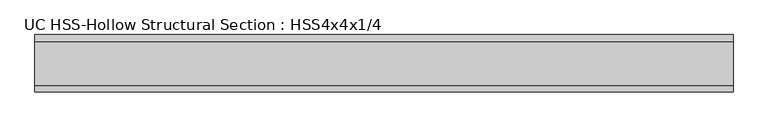
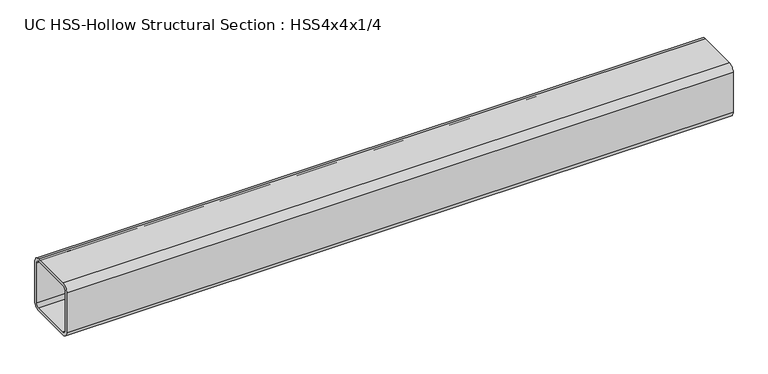
"""IFC4 building model written with IfcOpenShell, lengths in millimetres: beam geometry, UC HSS-Hollow Structural Section : HSS4x4x1/4."""

from ifc_helpers import new_model, si_unit, point, frame, frame_2d, origin, place, context, project, spatial, polyline, circle_curve, trimmed, segment, composite_curve, outline, extrude, source, transform, mapped, element, save


def uc_hss_hollow_structural_section_hss4x4x1_4_cd111312(model_context):
    return source(origin(), model_context, "Body", "SweptSolid", [
        extrude(outline(composite_curve([segment(polyline([(50.8, 38.9636), (50.8, -38.9636)]), True, "CONTINUOUS"), segment(trimmed(circle_curve(frame_2d((38.9636, -38.9636)), 11.8364), [point((50.8, -38.9636))], [point((38.9636, -50.8))], False, "CARTESIAN"), True, "CONTINUOUS"), segment(polyline([(38.9636, -50.8), (-38.9636, -50.8)]), True, "CONTINUOUS"), segment(trimmed(circle_curve(frame_2d((-38.9636, -38.9636)), 11.8364), [point((-38.9636, -50.8))], [point((-50.8, -38.9636))], False, "CARTESIAN"), True, "CONTINUOUS"), segment(polyline([(-50.8, -38.9636), (-50.8, 38.9636)]), True, "CONTINUOUS"), segment(trimmed(circle_curve(frame_2d((-38.9636, 38.9636)), 11.8364), [point((-50.8, 38.9636))], [point((-38.9636, 50.8))], False, "CARTESIAN"), True, "CONTINUOUS"), segment(polyline([(-38.9636, 50.8), (38.9636, 50.8)]), True, "CONTINUOUS"), segment(trimmed(circle_curve(frame_2d((38.9636, 38.9636)), 11.8364), [point((38.9636, 50.8))], [point((50.8, 38.9636))], False, "CARTESIAN"), True, "CONTINUOUS")], self_intersect=False), holes=[composite_curve([segment(trimmed(circle_curve(frame_2d((-38.9636, 38.9636)), 5.9182), [point((-38.9636, 44.8818))], [point((-44.8818, 38.9636))], True, "CARTESIAN"), True, "CONTINUOUS"), segment(polyline([(-44.8818, 38.9636), (-44.8818, -38.9636)]), True, "CONTINUOUS"), segment(trimmed(circle_curve(frame_2d((-38.9636, -38.9636)), 5.9182), [point((-44.8818, -38.9636))], [point((-38.9636, -44.8818))], True, "CARTESIAN"), True, "CONTINUOUS"), segment(polyline([(-38.9636, -44.8818), (38.9636, -44.8818)]), True, "CONTINUOUS"), segment(trimmed(circle_curve(frame_2d((38.9636, -38.9636)), 5.9182), [point((38.9636, -44.8818))], [point((44.8818, -38.9636))], True, "CARTESIAN"), True, "CONTINUOUS"), segment(polyline([(44.8818, -38.9636), (44.8818, 38.9636)]), True, "CONTINUOUS"), segment(trimmed(circle_curve(frame_2d((38.9636, 38.9636)), 5.9182), [point((44.8818, 38.9636))], [point((38.9636, 44.8818))], True, "CARTESIAN"), True, "CONTINUOUS"), segment(polyline([(38.9636, 44.8818), (-38.9636, 44.8818)]), True, "CONTINUOUS")], self_intersect=False)]), frame((-533.4, 0.0, 0.0), z_axis=(1.0, 0.0, 0.0), x_axis=(0.0, 1.0, 0.0)), (0.0, 0.0, 1.0), 1231.7676403),
    ])


if __name__ == "__main__":
    model = new_model("IFC4")
    model_context = context("Model", 3, world=origin())
    ifc_project = project(units=[si_unit("LENGTHUNIT", "METRE", prefix="MILLI")], contexts=[model_context])
    site = spatial("IfcSite", under=ifc_project)
    building = spatial("IfcBuilding", under=site)
    placement = place(None, origin())
    uc_hss_hollow_structural_section_hss4x4x1_4_shape = uc_hss_hollow_structural_section_hss4x4x1_4_cd111312(model_context)
    element("IfcBeam", 1, ObjectType="UC HSS-Hollow Structural Section : HSS4x4x1/4", at=placement, inside=building, context=model_context, shape_type="MappedRepresentation", body=[
        mapped(uc_hss_hollow_structural_section_hss4x4x1_4_shape, transform((0.0, 0.0, 0.0), x_axis=(1.0, 0.0, 0.0), y_axis=(0.0, 1.0, 0.0), z_axis=(0.0, 0.0, 1.0))),
    ])
    save(model, "model.ifc")
